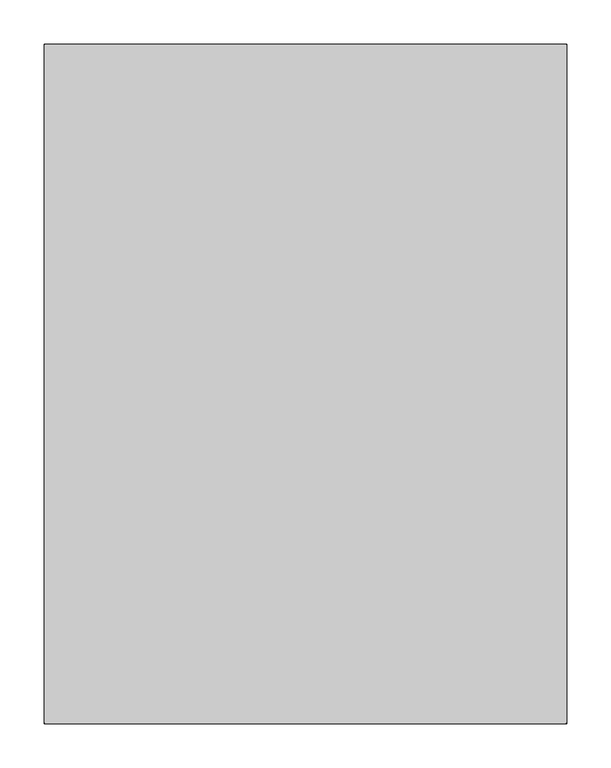
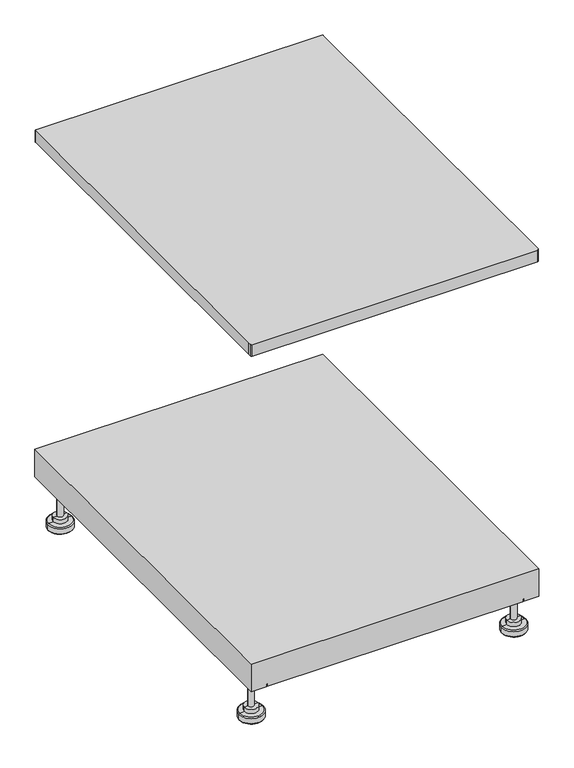
"""IFC4 building model written with IfcOpenShell, lengths in millimetres: proxy geometry."""

from ifc_helpers import new_model, si_unit, point, frame, frame_2d, origin, place, context, project, spatial, polyline, circle_curve, ellipse_curve, trimmed, segment, composite_curve, outline, extrude, source, transform, mapped, element, save
from ifc_brep_helpers import plane_surface, cylinder_surface, revolved_surface, advanced_brep


def specialty_equipment_5e8aa684(model_context):
    return source(origin(), model_context, "Body", "SolidModel", [
        advanced_brep(
        [(270.0441028, 340.1644278, 0.0), (294.0055556, 340.1644278, 0.0), (246.08265, 340.1644278, 0.0), (276.0712167, 340.1644278, 95.5797917), (270.0441028, 340.1644278, 95.5797917), (264.0169889, 340.1644278, 95.5797917), (276.0712167, 340.1644278, 89.99205), (264.0169889, 340.1644278, 89.99205), (276.0712167, 340.1644278, 25.0212674), (264.0169889, 340.1644278, 25.0212674), (284.0283447, 340.1644278, 25.0212674), (256.0598608, 340.1644278, 25.0212674), (284.0283447, 340.1644278, 16.1978413), (256.0598608, 340.1644278, 16.1978413), (281.9513278, 340.1644278, 14.998675), (258.1368778, 340.1644278, 14.998675), (293.1229361, 340.1644278, 14.998675), (246.9652694, 340.1644278, 14.998675), (295.1815778, 340.1644278, 12.9400333), (244.9066278, 340.1644278, 12.9400333), (295.1815778, 340.1644278, 2.0586417), (244.9066278, 340.1644278, 2.0586417), (294.0055556, 340.1644278, 2.0586417), (246.08265, 340.1644278, 2.0586417)],
        [
            (0, 1),
            (1, 2, circle_curve(frame((270.0441028, 340.1644278, 0.0), z_axis=(0.0, 0.0, -1.0), x_axis=(-1.0, 0.0, 0.0)), 23.9614528)),
            (2, 0),
            (2, 1, circle_curve(frame((270.0441028, 340.1644278, 0.0), z_axis=(0.0, 0.0, -1.0), x_axis=(-1.0, 0.0, 0.0)), 23.9614528)),
            (3, 4),
            (4, 5),
            (5, 3, circle_curve(frame((270.0441028, 340.1644278, 95.5797917), z_axis=(0.0, 0.0, 1.0), x_axis=(-1.0, 0.0, 0.0)), 6.0271139)),
            (3, 5, circle_curve(frame((270.0441028, 340.1644278, 95.5797917), z_axis=(0.0, 0.0, 1.0), x_axis=(-1.0, 0.0, 0.0)), 6.0271139)),
            (6, 3),
            (5, 7),
            (7, 6, circle_curve(frame((270.0441028, 340.1644278, 89.99205), z_axis=(0.0, 0.0, 1.0), x_axis=(-1.0, 0.0, 0.0)), 6.0271139)),
            (6, 7, circle_curve(frame((270.0441028, 340.1644278, 89.99205), z_axis=(0.0, 0.0, 1.0), x_axis=(-1.0, 0.0, 0.0)), 6.0271139)),
            (8, 6),
            (7, 9),
            (9, 8, circle_curve(frame((270.0441028, 340.1644278, 25.0212674), z_axis=(0.0, 0.0, 1.0), x_axis=(-1.0, 0.0, 0.0)), 6.0271139)),
            (8, 9, circle_curve(frame((270.0441028, 340.1644278, 25.0212674), z_axis=(0.0, 0.0, 1.0), x_axis=(-1.0, 0.0, 0.0)), 6.0271139)),
            (10, 8),
            (9, 11),
            (11, 10, circle_curve(frame((270.0441028, 340.1644278, 25.0212674), z_axis=(0.0, 0.0, 1.0), x_axis=(-1.0, 0.0, 0.0)), 13.9842419)),
            (10, 11, circle_curve(frame((270.0441028, 340.1644278, 25.0212674), z_axis=(0.0, 0.0, 1.0), x_axis=(-1.0, 0.0, 0.0)), 13.9842419)),
            (12, 10),
            (11, 13),
            (13, 12, circle_curve(frame((270.0441028, 340.1644278, 16.1978413), z_axis=(0.0, 0.0, 1.0), x_axis=(-1.0, 0.0, 0.0)), 13.9842419)),
            (12, 13, circle_curve(frame((270.0441028, 340.1644278, 16.1978413), z_axis=(0.0, 0.0, 1.0), x_axis=(-1.0, 0.0, 0.0)), 13.9842419)),
            (14, 12),
            (13, 15),
            (15, 14, circle_curve(frame((270.0441028, 340.1644278, 14.998675), z_axis=(0.0, 0.0, 1.0), x_axis=(-1.0, 0.0, 0.0)), 11.907225)),
            (14, 15, circle_curve(frame((270.0441028, 340.1644278, 14.998675), z_axis=(0.0, 0.0, 1.0), x_axis=(-1.0, 0.0, 0.0)), 11.907225)),
            (16, 14),
            (15, 17),
            (17, 16, circle_curve(frame((270.0441028, 340.1644278, 14.998675), z_axis=(0.0, 0.0, 1.0), x_axis=(-1.0, 0.0, 0.0)), 23.0788333)),
            (16, 17, circle_curve(frame((270.0441028, 340.1644278, 14.998675), z_axis=(0.0, 0.0, 1.0), x_axis=(-1.0, 0.0, 0.0)), 23.0788333)),
            (18, 16, circle_curve(frame((293.1229361, 340.1644278, 12.9400333), z_axis=(0.0, -1.0, 0.0), x_axis=(-1.0, 0.0, 0.0)), 2.0586417)),
            (17, 19, circle_curve(frame((246.9652694, 340.1644278, 12.9400333), z_axis=(0.0, -1.0, 0.0), x_axis=(1.0, 0.0, 0.0)), 2.0586417)),
            (19, 18, circle_curve(frame((270.0441028, 340.1644278, 12.9400333), z_axis=(0.0, 0.0, 1.0), x_axis=(-1.0, 0.0, 0.0)), 25.137475)),
            (18, 19, circle_curve(frame((270.0441028, 340.1644278, 12.9400333), z_axis=(0.0, 0.0, 1.0), x_axis=(-1.0, 0.0, 0.0)), 25.137475)),
            (20, 18),
            (19, 21),
            (21, 20, circle_curve(frame((270.0441028, 340.1644278, 2.0586417), z_axis=(0.0, 0.0, 1.0), x_axis=(-1.0, 0.0, 0.0)), 25.137475)),
            (20, 21, circle_curve(frame((270.0441028, 340.1644278, 2.0586417), z_axis=(0.0, 0.0, 1.0), x_axis=(-1.0, 0.0, 0.0)), 25.137475)),
            (22, 20),
            (21, 23),
            (23, 22, circle_curve(frame((270.0441028, 340.1644278, 2.0586417), z_axis=(0.0, 0.0, 1.0), x_axis=(-1.0, 0.0, 0.0)), 23.9614528)),
            (22, 23, circle_curve(frame((270.0441028, 340.1644278, 2.0586417), z_axis=(0.0, 0.0, 1.0), x_axis=(-1.0, 0.0, 0.0)), 23.9614528)),
            (1, 22),
            (23, 2),
        ],
        [
            plane_surface(frame((270.0441028, 340.1644278, 0.0), z_axis=(0.0, 0.0, -1.0), x_axis=(-1.0, 0.0, 0.0))),
            plane_surface(frame((270.0441028, 340.1644278, 95.5797917), z_axis=(0.0, 0.0, 1.0), x_axis=(-1.0, 0.0, 0.0))),
            cylinder_surface(frame((270.0441028, 340.1644278, 105.5797917), z_axis=(0.0, 0.0, -1.0), x_axis=(-1.0, 0.0, 0.0)), 6.0271139),
            plane_surface(frame((270.0441028, 340.1644278, 25.0212674), z_axis=(0.0, 0.0, 1.0), x_axis=(-1.0, 0.0, 0.0))),
            cylinder_surface(frame((270.0441028, 340.1644278, 105.5797917), z_axis=(0.0, 0.0, -1.0), x_axis=(-1.0, 0.0, 0.0)), 13.9842419),
            revolved_surface(polyline([(256.0598608, 340.1644278, 16.1978413), (258.1368778, 340.1644278, 14.998675)]), (270.0441028, 340.1644278, 105.5797917), (0.0, 0.0, -1.0)),
            plane_surface(frame((270.0441028, 340.1644278, 14.998675), z_axis=(0.0, 0.0, 1.0), x_axis=(-1.0, 0.0, 0.0))),
            revolved_surface(trimmed(ellipse_curve(frame((246.9652694, 340.1644278, 12.9400333), z_axis=(0.0, -1.0, 0.0), x_axis=(1.0, 0.0, 0.0)), 2.0586417, 2.0586417), [point((246.9652694, 340.1644278, 14.998675))], [point((244.9066278, 340.1644278, 12.9400333))], True, "CARTESIAN"), (270.0441028, 340.1644278, 105.5797917), (0.0, 0.0, -1.0)),
            cylinder_surface(frame((270.0441028, 340.1644278, 105.5797917), z_axis=(0.0, 0.0, -1.0), x_axis=(-1.0, 0.0, 0.0)), 25.137475),
            plane_surface(frame((270.0441028, 340.1644278, 2.0586417), z_axis=(0.0, 0.0, -1.0), x_axis=(-1.0, 0.0, 0.0))),
            cylinder_surface(frame((270.0441028, 340.1644278, 105.5797917), z_axis=(0.0, 0.0, -1.0), x_axis=(-1.0, 0.0, 0.0)), 23.9614528),
        ],
        [
            (0, [[1, 2, 3]]),
            (0, [[-3, 4, -1]]),
            (1, [[5, 6, 7]]),
            (1, [[-6, -5, 8]]),
            (2, [[9, -7, 10, 11]]),
            (2, [[-10, -8, -9, 12]]),
            (2, [[13, -11, 14, 15]]),
            (2, [[-14, -12, -13, 16]]),
            (3, [[17, -15, 18, 19]]),
            (3, [[-18, -16, -17, 20]]),
            (4, [[21, -19, 22, 23]]),
            (4, [[-22, -20, -21, 24]]),
            (5, [[25, -23, 26, 27]]),
            (5, [[-26, -24, -25, 28]]),
            (6, [[29, -27, 30, 31]]),
            (6, [[-30, -28, -29, 32]]),
            (7, [[33, -31, 34, 35]]),
            (7, [[-34, -32, -33, 36]]),
            (8, [[37, -35, 38, 39]]),
            (8, [[-38, -36, -37, 40]]),
            (9, [[41, -39, 42, 43]]),
            (9, [[-42, -40, -41, 44]]),
            (10, [[45, -43, 46, -2]]),
            (10, [[-46, -44, -45, -4]]),
        ],
    ),
        advanced_brep(
        [(-270.0441028, 340.1644278, 0.0), (-246.08265, 340.1644278, 0.0), (-294.0055556, 340.1644278, 0.0), (-264.0169889, 340.1644278, 95.5797917), (-270.0441028, 340.1644278, 95.5797917), (-276.0712167, 340.1644278, 95.5797917), (-264.0169889, 340.1644278, 89.99205), (-276.0712167, 340.1644278, 89.99205), (-264.0169889, 340.1644278, 25.0212674), (-276.0712167, 340.1644278, 25.0212674), (-256.0598608, 340.1644278, 25.0212674), (-284.0283447, 340.1644278, 25.0212674), (-256.0598608, 340.1644278, 16.1978413), (-284.0283447, 340.1644278, 16.1978413), (-258.1368778, 340.1644278, 14.998675), (-281.9513278, 340.1644278, 14.998675), (-246.9652694, 340.1644278, 14.998675), (-293.1229361, 340.1644278, 14.998675), (-244.9066278, 340.1644278, 12.9400333), (-295.1815778, 340.1644278, 12.9400333), (-244.9066278, 340.1644278, 2.0586417), (-295.1815778, 340.1644278, 2.0586417), (-246.08265, 340.1644278, 2.0586417), (-294.0055556, 340.1644278, 2.0586417)],
        [
            (0, 1),
            (1, 2, circle_curve(frame((-270.0441028, 340.1644278, 0.0), z_axis=(0.0, 0.0, -1.0), x_axis=(-1.0, 0.0, 0.0)), 23.9614528)),
            (2, 0),
            (2, 1, circle_curve(frame((-270.0441028, 340.1644278, 0.0), z_axis=(0.0, 0.0, -1.0), x_axis=(-1.0, 0.0, 0.0)), 23.9614528)),
            (3, 4),
            (4, 5),
            (5, 3, circle_curve(frame((-270.0441028, 340.1644278, 95.5797917), z_axis=(0.0, 0.0, 1.0), x_axis=(-1.0, 0.0, 0.0)), 6.0271139)),
            (3, 5, circle_curve(frame((-270.0441028, 340.1644278, 95.5797917), z_axis=(0.0, 0.0, 1.0), x_axis=(-1.0, 0.0, 0.0)), 6.0271139)),
            (6, 3),
            (5, 7),
            (7, 6, circle_curve(frame((-270.0441028, 340.1644278, 89.99205), z_axis=(0.0, 0.0, 1.0), x_axis=(-1.0, 0.0, 0.0)), 6.0271139)),
            (6, 7, circle_curve(frame((-270.0441028, 340.1644278, 89.99205), z_axis=(0.0, 0.0, 1.0), x_axis=(-1.0, 0.0, 0.0)), 6.0271139)),
            (8, 6),
            (7, 9),
            (9, 8, circle_curve(frame((-270.0441028, 340.1644278, 25.0212674), z_axis=(0.0, 0.0, 1.0), x_axis=(-1.0, 0.0, 0.0)), 6.0271139)),
            (8, 9, circle_curve(frame((-270.0441028, 340.1644278, 25.0212674), z_axis=(0.0, 0.0, 1.0), x_axis=(-1.0, 0.0, 0.0)), 6.0271139)),
            (10, 8),
            (9, 11),
            (11, 10, circle_curve(frame((-270.0441028, 340.1644278, 25.0212674), z_axis=(0.0, 0.0, 1.0), x_axis=(-1.0, 0.0, 0.0)), 13.9842419)),
            (10, 11, circle_curve(frame((-270.0441028, 340.1644278, 25.0212674), z_axis=(0.0, 0.0, 1.0), x_axis=(-1.0, 0.0, 0.0)), 13.9842419)),
            (12, 10),
            (11, 13),
            (13, 12, circle_curve(frame((-270.0441028, 340.1644278, 16.1978413), z_axis=(0.0, 0.0, 1.0), x_axis=(-1.0, 0.0, 0.0)), 13.9842419)),
            (12, 13, circle_curve(frame((-270.0441028, 340.1644278, 16.1978413), z_axis=(0.0, 0.0, 1.0), x_axis=(-1.0, 0.0, 0.0)), 13.9842419)),
            (14, 12),
            (13, 15),
            (15, 14, circle_curve(frame((-270.0441028, 340.1644278, 14.998675), z_axis=(0.0, 0.0, 1.0), x_axis=(-1.0, 0.0, 0.0)), 11.907225)),
            (14, 15, circle_curve(frame((-270.0441028, 340.1644278, 14.998675), z_axis=(0.0, 0.0, 1.0), x_axis=(-1.0, 0.0, 0.0)), 11.907225)),
            (16, 14),
            (15, 17),
            (17, 16, circle_curve(frame((-270.0441028, 340.1644278, 14.998675), z_axis=(0.0, 0.0, 1.0), x_axis=(-1.0, 0.0, 0.0)), 23.0788333)),
            (16, 17, circle_curve(frame((-270.0441028, 340.1644278, 14.998675), z_axis=(0.0, 0.0, 1.0), x_axis=(-1.0, 0.0, 0.0)), 23.0788333)),
            (18, 16, circle_curve(frame((-246.9652694, 340.1644278, 12.9400333), z_axis=(0.0, -1.0, 0.0), x_axis=(-1.0, 0.0, 0.0)), 2.0586417)),
            (17, 19, circle_curve(frame((-293.1229361, 340.1644278, 12.9400333), z_axis=(0.0, -1.0, 0.0), x_axis=(1.0, 0.0, 0.0)), 2.0586417)),
            (19, 18, circle_curve(frame((-270.0441028, 340.1644278, 12.9400333), z_axis=(0.0, 0.0, 1.0), x_axis=(-1.0, 0.0, 0.0)), 25.137475)),
            (18, 19, circle_curve(frame((-270.0441028, 340.1644278, 12.9400333), z_axis=(0.0, 0.0, 1.0), x_axis=(-1.0, 0.0, 0.0)), 25.137475)),
            (20, 18),
            (19, 21),
            (21, 20, circle_curve(frame((-270.0441028, 340.1644278, 2.0586417), z_axis=(0.0, 0.0, 1.0), x_axis=(-1.0, 0.0, 0.0)), 25.137475)),
            (20, 21, circle_curve(frame((-270.0441028, 340.1644278, 2.0586417), z_axis=(0.0, 0.0, 1.0), x_axis=(-1.0, 0.0, 0.0)), 25.137475)),
            (22, 20),
            (21, 23),
            (23, 22, circle_curve(frame((-270.0441028, 340.1644278, 2.0586417), z_axis=(0.0, 0.0, 1.0), x_axis=(-1.0, 0.0, 0.0)), 23.9614528)),
            (22, 23, circle_curve(frame((-270.0441028, 340.1644278, 2.0586417), z_axis=(0.0, 0.0, 1.0), x_axis=(-1.0, 0.0, 0.0)), 23.9614528)),
            (1, 22),
            (23, 2),
        ],
        [
            plane_surface(frame((-270.0441028, 340.1644278, 0.0), z_axis=(0.0, 0.0, -1.0), x_axis=(-1.0, 0.0, 0.0))),
            plane_surface(frame((-270.0441028, 340.1644278, 95.5797917), z_axis=(0.0, 0.0, 1.0), x_axis=(-1.0, 0.0, 0.0))),
            cylinder_surface(frame((-270.0441028, 340.1644278, 105.5797917), z_axis=(0.0, 0.0, -1.0), x_axis=(-1.0, 0.0, 0.0)), 6.0271139),
            plane_surface(frame((-270.0441028, 340.1644278, 25.0212674), z_axis=(0.0, 0.0, 1.0), x_axis=(-1.0, 0.0, 0.0))),
            cylinder_surface(frame((-270.0441028, 340.1644278, 105.5797917), z_axis=(0.0, 0.0, -1.0), x_axis=(-1.0, 0.0, 0.0)), 13.9842419),
            revolved_surface(polyline([(-284.0283447, 340.1644278, 16.1978413), (-281.9513278, 340.1644278, 14.998675)]), (-270.0441028, 340.1644278, 105.5797917), (0.0, 0.0, -1.0)),
            plane_surface(frame((-270.0441028, 340.1644278, 14.998675), z_axis=(0.0, 0.0, 1.0), x_axis=(-1.0, 0.0, 0.0))),
            revolved_surface(trimmed(ellipse_curve(frame((-293.1229361, 340.1644278, 12.9400333), z_axis=(0.0, -1.0, 0.0), x_axis=(1.0, 0.0, 0.0)), 2.0586417, 2.0586417), [point((-293.1229361, 340.1644278, 14.998675))], [point((-295.1815778, 340.1644278, 12.9400333))], True, "CARTESIAN"), (-270.0441028, 340.1644278, 105.5797917), (0.0, 0.0, -1.0)),
            cylinder_surface(frame((-270.0441028, 340.1644278, 105.5797917), z_axis=(0.0, 0.0, -1.0), x_axis=(-1.0, 0.0, 0.0)), 25.137475),
            plane_surface(frame((-270.0441028, 340.1644278, 2.0586417), z_axis=(0.0, 0.0, -1.0), x_axis=(-1.0, 0.0, 0.0))),
            cylinder_surface(frame((-270.0441028, 340.1644278, 105.5797917), z_axis=(0.0, 0.0, -1.0), x_axis=(-1.0, 0.0, 0.0)), 23.9614528),
        ],
        [
            (0, [[1, 2, 3]]),
            (0, [[-3, 4, -1]]),
            (1, [[5, 6, 7]]),
            (1, [[-6, -5, 8]]),
            (2, [[9, -7, 10, 11]]),
            (2, [[-10, -8, -9, 12]]),
            (2, [[13, -11, 14, 15]]),
            (2, [[-14, -12, -13, 16]]),
            (3, [[17, -15, 18, 19]]),
            (3, [[-18, -16, -17, 20]]),
            (4, [[21, -19, 22, 23]]),
            (4, [[-22, -20, -21, 24]]),
            (5, [[25, -23, 26, 27]]),
            (5, [[-26, -24, -25, 28]]),
            (6, [[29, -27, 30, 31]]),
            (6, [[-30, -28, -29, 32]]),
            (7, [[33, -31, 34, 35]]),
            (7, [[-34, -32, -33, 36]]),
            (8, [[37, -35, 38, 39]]),
            (8, [[-38, -36, -37, 40]]),
            (9, [[41, -39, 42, 43]]),
            (9, [[-42, -40, -41, 44]]),
            (10, [[45, -43, 46, -2]]),
            (10, [[-46, -44, -45, -4]]),
        ],
    ),
        advanced_brep(
        [(270.0441028, -340.1644278, 0.0), (294.0055556, -340.1644278, 0.0), (246.08265, -340.1644278, 0.0), (276.0712167, -340.1644278, 95.5797917), (270.0441028, -340.1644278, 95.5797917), (264.0169889, -340.1644278, 95.5797917), (276.0712167, -340.1644278, 89.99205), (264.0169889, -340.1644278, 89.99205), (276.0712167, -340.1644278, 25.0212674), (264.0169889, -340.1644278, 25.0212674), (284.0283447, -340.1644278, 25.0212674), (256.0598608, -340.1644278, 25.0212674), (284.0283447, -340.1644278, 16.1978413), (256.0598608, -340.1644278, 16.1978413), (281.9513278, -340.1644278, 14.998675), (258.1368778, -340.1644278, 14.998675), (293.1229361, -340.1644278, 14.998675), (246.9652694, -340.1644278, 14.998675), (295.1815778, -340.1644278, 12.9400333), (244.9066278, -340.1644278, 12.9400333), (295.1815778, -340.1644278, 2.0586417), (244.9066278, -340.1644278, 2.0586417), (294.0055556, -340.1644278, 2.0586417), (246.08265, -340.1644278, 2.0586417)],
        [
            (0, 1),
            (1, 2, circle_curve(frame((270.0441028, -340.1644278, 0.0), z_axis=(0.0, 0.0, -1.0), x_axis=(-1.0, 0.0, 0.0)), 23.9614528)),
            (2, 0),
            (2, 1, circle_curve(frame((270.0441028, -340.1644278, 0.0), z_axis=(0.0, 0.0, -1.0), x_axis=(-1.0, 0.0, 0.0)), 23.9614528)),
            (3, 4),
            (4, 5),
            (5, 3, circle_curve(frame((270.0441028, -340.1644278, 95.5797917), z_axis=(0.0, 0.0, 1.0), x_axis=(-1.0, 0.0, 0.0)), 6.0271139)),
            (3, 5, circle_curve(frame((270.0441028, -340.1644278, 95.5797917), z_axis=(0.0, 0.0, 1.0), x_axis=(-1.0, 0.0, 0.0)), 6.0271139)),
            (6, 3),
            (5, 7),
            (7, 6, circle_curve(frame((270.0441028, -340.1644278, 89.99205), z_axis=(0.0, 0.0, 1.0), x_axis=(-1.0, 0.0, 0.0)), 6.0271139)),
            (6, 7, circle_curve(frame((270.0441028, -340.1644278, 89.99205), z_axis=(0.0, 0.0, 1.0), x_axis=(-1.0, 0.0, 0.0)), 6.0271139)),
            (8, 6),
            (7, 9),
            (9, 8, circle_curve(frame((270.0441028, -340.1644278, 25.0212674), z_axis=(0.0, 0.0, 1.0), x_axis=(-1.0, 0.0, 0.0)), 6.0271139)),
            (8, 9, circle_curve(frame((270.0441028, -340.1644278, 25.0212674), z_axis=(0.0, 0.0, 1.0), x_axis=(-1.0, 0.0, 0.0)), 6.0271139)),
            (10, 8),
            (9, 11),
            (11, 10, circle_curve(frame((270.0441028, -340.1644278, 25.0212674), z_axis=(0.0, 0.0, 1.0), x_axis=(-1.0, 0.0, 0.0)), 13.9842419)),
            (10, 11, circle_curve(frame((270.0441028, -340.1644278, 25.0212674), z_axis=(0.0, 0.0, 1.0), x_axis=(-1.0, 0.0, 0.0)), 13.9842419)),
            (12, 10),
            (11, 13),
            (13, 12, circle_curve(frame((270.0441028, -340.1644278, 16.1978413), z_axis=(0.0, 0.0, 1.0), x_axis=(-1.0, 0.0, 0.0)), 13.9842419)),
            (12, 13, circle_curve(frame((270.0441028, -340.1644278, 16.1978413), z_axis=(0.0, 0.0, 1.0), x_axis=(-1.0, 0.0, 0.0)), 13.9842419)),
            (14, 12),
            (13, 15),
            (15, 14, circle_curve(frame((270.0441028, -340.1644278, 14.998675), z_axis=(0.0, 0.0, 1.0), x_axis=(-1.0, 0.0, 0.0)), 11.907225)),
            (14, 15, circle_curve(frame((270.0441028, -340.1644278, 14.998675), z_axis=(0.0, 0.0, 1.0), x_axis=(-1.0, 0.0, 0.0)), 11.907225)),
            (16, 14),
            (15, 17),
            (17, 16, circle_curve(frame((270.0441028, -340.1644278, 14.998675), z_axis=(0.0, 0.0, 1.0), x_axis=(-1.0, 0.0, 0.0)), 23.0788333)),
            (16, 17, circle_curve(frame((270.0441028, -340.1644278, 14.998675), z_axis=(0.0, 0.0, 1.0), x_axis=(-1.0, 0.0, 0.0)), 23.0788333)),
            (18, 16, circle_curve(frame((293.1229361, -340.1644278, 12.9400333), z_axis=(0.0, -1.0, 0.0), x_axis=(-1.0, 0.0, 0.0)), 2.0586417)),
            (17, 19, circle_curve(frame((246.9652694, -340.1644278, 12.9400333), z_axis=(0.0, -1.0, 0.0), x_axis=(1.0, 0.0, 0.0)), 2.0586417)),
            (19, 18, circle_curve(frame((270.0441028, -340.1644278, 12.9400333), z_axis=(0.0, 0.0, 1.0), x_axis=(-1.0, 0.0, 0.0)), 25.137475)),
            (18, 19, circle_curve(frame((270.0441028, -340.1644278, 12.9400333), z_axis=(0.0, 0.0, 1.0), x_axis=(-1.0, 0.0, 0.0)), 25.137475)),
            (20, 18),
            (19, 21),
            (21, 20, circle_curve(frame((270.0441028, -340.1644278, 2.0586417), z_axis=(0.0, 0.0, 1.0), x_axis=(-1.0, 0.0, 0.0)), 25.137475)),
            (20, 21, circle_curve(frame((270.0441028, -340.1644278, 2.0586417), z_axis=(0.0, 0.0, 1.0), x_axis=(-1.0, 0.0, 0.0)), 25.137475)),
            (22, 20),
            (21, 23),
            (23, 22, circle_curve(frame((270.0441028, -340.1644278, 2.0586417), z_axis=(0.0, 0.0, 1.0), x_axis=(-1.0, 0.0, 0.0)), 23.9614528)),
            (22, 23, circle_curve(frame((270.0441028, -340.1644278, 2.0586417), z_axis=(0.0, 0.0, 1.0), x_axis=(-1.0, 0.0, 0.0)), 23.9614528)),
            (1, 22),
            (23, 2),
        ],
        [
            plane_surface(frame((270.0441028, -340.1644278, 0.0), z_axis=(0.0, 0.0, -1.0), x_axis=(-1.0, 0.0, 0.0))),
            plane_surface(frame((270.0441028, -340.1644278, 95.5797917), z_axis=(0.0, 0.0, 1.0), x_axis=(-1.0, 0.0, 0.0))),
            cylinder_surface(frame((270.0441028, -340.1644278, 105.5797917), z_axis=(0.0, 0.0, -1.0), x_axis=(-1.0, 0.0, 0.0)), 6.0271139),
            plane_surface(frame((270.0441028, -340.1644278, 25.0212674), z_axis=(0.0, 0.0, 1.0), x_axis=(-1.0, 0.0, 0.0))),
            cylinder_surface(frame((270.0441028, -340.1644278, 105.5797917), z_axis=(0.0, 0.0, -1.0), x_axis=(-1.0, 0.0, 0.0)), 13.9842419),
            revolved_surface(polyline([(256.0598608, -340.1644278, 16.1978413), (258.1368778, -340.1644278, 14.998675)]), (270.0441028, -340.1644278, 105.5797917), (0.0, 0.0, -1.0)),
            plane_surface(frame((270.0441028, -340.1644278, 14.998675), z_axis=(0.0, 0.0, 1.0), x_axis=(-1.0, 0.0, 0.0))),
            revolved_surface(trimmed(ellipse_curve(frame((246.9652694, -340.1644278, 12.9400333), z_axis=(0.0, -1.0, 0.0), x_axis=(1.0, 0.0, 0.0)), 2.0586417, 2.0586417), [point((246.9652694, -340.1644278, 14.998675))], [point((244.9066278, -340.1644278, 12.9400333))], True, "CARTESIAN"), (270.0441028, -340.1644278, 105.5797917), (0.0, 0.0, -1.0)),
            cylinder_surface(frame((270.0441028, -340.1644278, 105.5797917), z_axis=(0.0, 0.0, -1.0), x_axis=(-1.0, 0.0, 0.0)), 25.137475),
            plane_surface(frame((270.0441028, -340.1644278, 2.0586417), z_axis=(0.0, 0.0, -1.0), x_axis=(-1.0, 0.0, 0.0))),
            cylinder_surface(frame((270.0441028, -340.1644278, 105.5797917), z_axis=(0.0, 0.0, -1.0), x_axis=(-1.0, 0.0, 0.0)), 23.9614528),
        ],
        [
            (0, [[1, 2, 3]]),
            (0, [[-3, 4, -1]]),
            (1, [[5, 6, 7]]),
            (1, [[-6, -5, 8]]),
            (2, [[9, -7, 10, 11]]),
            (2, [[-10, -8, -9, 12]]),
            (2, [[13, -11, 14, 15]]),
            (2, [[-14, -12, -13, 16]]),
            (3, [[17, -15, 18, 19]]),
            (3, [[-18, -16, -17, 20]]),
            (4, [[21, -19, 22, 23]]),
            (4, [[-22, -20, -21, 24]]),
            (5, [[25, -23, 26, 27]]),
            (5, [[-26, -24, -25, 28]]),
            (6, [[29, -27, 30, 31]]),
            (6, [[-30, -28, -29, 32]]),
            (7, [[33, -31, 34, 35]]),
            (7, [[-34, -32, -33, 36]]),
            (8, [[37, -35, 38, 39]]),
            (8, [[-38, -36, -37, 40]]),
            (9, [[41, -39, 42, 43]]),
            (9, [[-42, -40, -41, 44]]),
            (10, [[45, -43, 46, -2]]),
            (10, [[-46, -44, -45, -4]]),
        ],
    ),
        advanced_brep(
        [(-270.0441028, -340.1644278, 0.0), (-246.08265, -340.1644278, 0.0), (-294.0055556, -340.1644278, 0.0), (-264.0169889, -340.1644278, 95.5797917), (-270.0441028, -340.1644278, 95.5797917), (-276.0712167, -340.1644278, 95.5797917), (-264.0169889, -340.1644278, 89.99205), (-276.0712167, -340.1644278, 89.99205), (-264.0169889, -340.1644278, 25.0212674), (-276.0712167, -340.1644278, 25.0212674), (-256.0598608, -340.1644278, 25.0212674), (-284.0283447, -340.1644278, 25.0212674), (-256.0598608, -340.1644278, 16.1978413), (-284.0283447, -340.1644278, 16.1978413), (-258.1368778, -340.1644278, 14.998675), (-281.9513278, -340.1644278, 14.998675), (-246.9652694, -340.1644278, 14.998675), (-293.1229361, -340.1644278, 14.998675), (-244.9066278, -340.1644278, 12.9400333), (-295.1815778, -340.1644278, 12.9400333), (-244.9066278, -340.1644278, 2.0586417), (-295.1815778, -340.1644278, 2.0586417), (-246.08265, -340.1644278, 2.0586417), (-294.0055556, -340.1644278, 2.0586417)],
        [
            (0, 1),
            (1, 2, circle_curve(frame((-270.0441028, -340.1644278, 0.0), z_axis=(0.0, 0.0, -1.0), x_axis=(-1.0, 0.0, 0.0)), 23.9614528)),
            (2, 0),
            (2, 1, circle_curve(frame((-270.0441028, -340.1644278, 0.0), z_axis=(0.0, 0.0, -1.0), x_axis=(-1.0, 0.0, 0.0)), 23.9614528)),
            (3, 4),
            (4, 5),
            (5, 3, circle_curve(frame((-270.0441028, -340.1644278, 95.5797917), z_axis=(0.0, 0.0, 1.0), x_axis=(-1.0, 0.0, 0.0)), 6.0271139)),
            (3, 5, circle_curve(frame((-270.0441028, -340.1644278, 95.5797917), z_axis=(0.0, 0.0, 1.0), x_axis=(-1.0, 0.0, 0.0)), 6.0271139)),
            (6, 3),
            (5, 7),
            (7, 6, circle_curve(frame((-270.0441028, -340.1644278, 89.99205), z_axis=(0.0, 0.0, 1.0), x_axis=(-1.0, 0.0, 0.0)), 6.0271139)),
            (6, 7, circle_curve(frame((-270.0441028, -340.1644278, 89.99205), z_axis=(0.0, 0.0, 1.0), x_axis=(-1.0, 0.0, 0.0)), 6.0271139)),
            (8, 6),
            (7, 9),
            (9, 8, circle_curve(frame((-270.0441028, -340.1644278, 25.0212674), z_axis=(0.0, 0.0, 1.0), x_axis=(-1.0, 0.0, 0.0)), 6.0271139)),
            (8, 9, circle_curve(frame((-270.0441028, -340.1644278, 25.0212674), z_axis=(0.0, 0.0, 1.0), x_axis=(-1.0, 0.0, 0.0)), 6.0271139)),
            (10, 8),
            (9, 11),
            (11, 10, circle_curve(frame((-270.0441028, -340.1644278, 25.0212674), z_axis=(0.0, 0.0, 1.0), x_axis=(-1.0, 0.0, 0.0)), 13.9842419)),
            (10, 11, circle_curve(frame((-270.0441028, -340.1644278, 25.0212674), z_axis=(0.0, 0.0, 1.0), x_axis=(-1.0, 0.0, 0.0)), 13.9842419)),
            (12, 10),
            (11, 13),
            (13, 12, circle_curve(frame((-270.0441028, -340.1644278, 16.1978413), z_axis=(0.0, 0.0, 1.0), x_axis=(-1.0, 0.0, 0.0)), 13.9842419)),
            (12, 13, circle_curve(frame((-270.0441028, -340.1644278, 16.1978413), z_axis=(0.0, 0.0, 1.0), x_axis=(-1.0, 0.0, 0.0)), 13.9842419)),
            (14, 12),
            (13, 15),
            (15, 14, circle_curve(frame((-270.0441028, -340.1644278, 14.998675), z_axis=(0.0, 0.0, 1.0), x_axis=(-1.0, 0.0, 0.0)), 11.907225)),
            (14, 15, circle_curve(frame((-270.0441028, -340.1644278, 14.998675), z_axis=(0.0, 0.0, 1.0), x_axis=(-1.0, 0.0, 0.0)), 11.907225)),
            (16, 14),
            (15, 17),
            (17, 16, circle_curve(frame((-270.0441028, -340.1644278, 14.998675), z_axis=(0.0, 0.0, 1.0), x_axis=(-1.0, 0.0, 0.0)), 23.0788333)),
            (16, 17, circle_curve(frame((-270.0441028, -340.1644278, 14.998675), z_axis=(0.0, 0.0, 1.0), x_axis=(-1.0, 0.0, 0.0)), 23.0788333)),
            (18, 16, circle_curve(frame((-246.9652694, -340.1644278, 12.9400333), z_axis=(0.0, -1.0, 0.0), x_axis=(-1.0, 0.0, 0.0)), 2.0586417)),
            (17, 19, circle_curve(frame((-293.1229361, -340.1644278, 12.9400333), z_axis=(0.0, -1.0, 0.0), x_axis=(1.0, 0.0, 0.0)), 2.0586417)),
            (19, 18, circle_curve(frame((-270.0441028, -340.1644278, 12.9400333), z_axis=(0.0, 0.0, 1.0), x_axis=(-1.0, 0.0, 0.0)), 25.137475)),
            (18, 19, circle_curve(frame((-270.0441028, -340.1644278, 12.9400333), z_axis=(0.0, 0.0, 1.0), x_axis=(-1.0, 0.0, 0.0)), 25.137475)),
            (20, 18),
            (19, 21),
            (21, 20, circle_curve(frame((-270.0441028, -340.1644278, 2.0586417), z_axis=(0.0, 0.0, 1.0), x_axis=(-1.0, 0.0, 0.0)), 25.137475)),
            (20, 21, circle_curve(frame((-270.0441028, -340.1644278, 2.0586417), z_axis=(0.0, 0.0, 1.0), x_axis=(-1.0, 0.0, 0.0)), 25.137475)),
            (22, 20),
            (21, 23),
            (23, 22, circle_curve(frame((-270.0441028, -340.1644278, 2.0586417), z_axis=(0.0, 0.0, 1.0), x_axis=(-1.0, 0.0, 0.0)), 23.9614528)),
            (22, 23, circle_curve(frame((-270.0441028, -340.1644278, 2.0586417), z_axis=(0.0, 0.0, 1.0), x_axis=(-1.0, 0.0, 0.0)), 23.9614528)),
            (1, 22),
            (23, 2),
        ],
        [
            plane_surface(frame((-270.0441028, -340.1644278, 0.0), z_axis=(0.0, 0.0, -1.0), x_axis=(-1.0, 0.0, 0.0))),
            plane_surface(frame((-270.0441028, -340.1644278, 95.5797917), z_axis=(0.0, 0.0, 1.0), x_axis=(-1.0, 0.0, 0.0))),
            cylinder_surface(frame((-270.0441028, -340.1644278, 105.5797917), z_axis=(0.0, 0.0, -1.0), x_axis=(-1.0, 0.0, 0.0)), 6.0271139),
            plane_surface(frame((-270.0441028, -340.1644278, 25.0212674), z_axis=(0.0, 0.0, 1.0), x_axis=(-1.0, 0.0, 0.0))),
            cylinder_surface(frame((-270.0441028, -340.1644278, 105.5797917), z_axis=(0.0, 0.0, -1.0), x_axis=(-1.0, 0.0, 0.0)), 13.9842419),
            revolved_surface(polyline([(-284.0283447, -340.1644278, 16.1978413), (-281.9513278, -340.1644278, 14.998675)]), (-270.0441028, -340.1644278, 105.5797917), (0.0, 0.0, -1.0)),
            plane_surface(frame((-270.0441028, -340.1644278, 14.998675), z_axis=(0.0, 0.0, 1.0), x_axis=(-1.0, 0.0, 0.0))),
            revolved_surface(trimmed(ellipse_curve(frame((-293.1229361, -340.1644278, 12.9400333), z_axis=(0.0, -1.0, 0.0), x_axis=(1.0, 0.0, 0.0)), 2.0586417, 2.0586417), [point((-293.1229361, -340.1644278, 14.998675))], [point((-295.1815778, -340.1644278, 12.9400333))], True, "CARTESIAN"), (-270.0441028, -340.1644278, 105.5797917), (0.0, 0.0, -1.0)),
            cylinder_surface(frame((-270.0441028, -340.1644278, 105.5797917), z_axis=(0.0, 0.0, -1.0), x_axis=(-1.0, 0.0, 0.0)), 25.137475),
            plane_surface(frame((-270.0441028, -340.1644278, 2.0586417), z_axis=(0.0, 0.0, -1.0), x_axis=(-1.0, 0.0, 0.0))),
            cylinder_surface(frame((-270.0441028, -340.1644278, 105.5797917), z_axis=(0.0, 0.0, -1.0), x_axis=(-1.0, 0.0, 0.0)), 23.9614528),
        ],
        [
            (0, [[1, 2, 3]]),
            (0, [[-3, 4, -1]]),
            (1, [[5, 6, 7]]),
            (1, [[-6, -5, 8]]),
            (2, [[9, -7, 10, 11]]),
            (2, [[-10, -8, -9, 12]]),
            (2, [[13, -11, 14, 15]]),
            (2, [[-14, -12, -13, 16]]),
            (3, [[17, -15, 18, 19]]),
            (3, [[-18, -16, -17, 20]]),
            (4, [[21, -19, 22, 23]]),
            (4, [[-22, -20, -21, 24]]),
            (5, [[25, -23, 26, 27]]),
            (5, [[-26, -24, -25, 28]]),
            (6, [[29, -27, 30, 31]]),
            (6, [[-30, -28, -29, 32]]),
            (7, [[33, -31, 34, 35]]),
            (7, [[-34, -32, -33, 36]]),
            (8, [[37, -35, 38, 39]]),
            (8, [[-38, -36, -37, 40]]),
            (9, [[41, -39, 42, 43]]),
            (9, [[-42, -40, -41, 44]]),
            (10, [[45, -43, 46, -2]]),
            (10, [[-46, -44, -45, -4]]),
        ],
    ),
        extrude(outline(polyline([(89.99205, -296.0635944), (89.99205, -264.605), (95.5797917, -264.605), (95.5797917, -263.1349722), (89.99205, -263.1349722), (89.99205, 263.1349722), (95.5797917, 263.1349722), (95.5797917, 264.605), (89.99205, 264.605), (89.99205, 296.0635944), (149.98675, 296.0635944), (149.98675, -296.0635944), (89.99205, -296.0635944)])), frame((0.0, -385.000275, 0.0), z_axis=(0.0, 1.0, 0.0), x_axis=(0.0, 0.0, 1.0)), (0.0, 0.0, 1.0), 770.00055),
        extrude(outline(composite_curve([segment(polyline([(-296.0032625, -382.6482306), (-296.0032625, -377.3425339), (-296.0032625, 382.6482306)]), True, "CONTINUOUS"), segment(trimmed(circle_curve(frame_2d((-293.6512181, 382.6482306)), 2.3520444), [point((-296.0032625, 382.6482306))], [point((-293.6512181, 385.000275))], False, "CARTESIAN"), True, "CONTINUOUS"), segment(polyline([(-293.6512181, 385.000275), (293.6512181, 385.000275)]), True, "CONTINUOUS"), segment(trimmed(circle_curve(frame_2d((293.6512181, 382.6482306)), 2.3520444), [point((293.6512181, 385.000275))], [point((296.0032625, 382.6482306))], False, "CARTESIAN"), True, "CONTINUOUS"), segment(polyline([(296.0032625, 382.6482306), (296.0032625, -382.6482306)]), True, "CONTINUOUS"), segment(trimmed(circle_curve(frame_2d((293.6512181, -382.6482306)), 2.3520444), [point((296.0032625, -382.6482306))], [point((293.6512181, -385.000275))], False, "CARTESIAN"), True, "CONTINUOUS"), segment(polyline([(293.6512181, -385.000275), (-293.6512181, -385.000275)]), True, "CONTINUOUS"), segment(trimmed(circle_curve(frame_2d((-293.6512181, -382.6482306)), 2.3520444), [point((-293.6512181, -385.000275))], [point((-296.0032625, -382.6482306))], False, "CARTESIAN"), True, "CONTINUOUS")], self_intersect=False)), frame((0.0, 0.0, 819.0), z_axis=(0.0, 0.0, 1.0), x_axis=(1.0, 0.0, 0.0)), (0.0, 0.0, 1.0), 25.0),
    ])


if __name__ == "__main__":
    model = new_model("IFC4")
    model_context = context("Model", 3, world=origin())
    ifc_project = project(units=[si_unit("LENGTHUNIT", "METRE", prefix="MILLI")], contexts=[model_context])
    site = spatial("IfcSite", under=ifc_project)
    building = spatial("IfcBuilding", under=site)
    placement = place(None, origin())
    specialty_equipment_shape = specialty_equipment_5e8aa684(model_context)
    element("IfcBuildingElementProxy", 1, Name="Specialty Equipment", at=placement, inside=building, context=model_context, shape_type="MappedRepresentation", body=[
        mapped(specialty_equipment_shape, transform((0.0, 0.0, 0.0), x_axis=(1.0, 0.0, 0.0), y_axis=(0.0, 1.0, 0.0), z_axis=(0.0, 0.0, 1.0))),
    ])
    save(model, "model.ifc")
